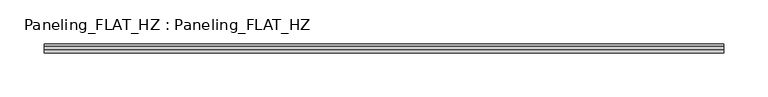
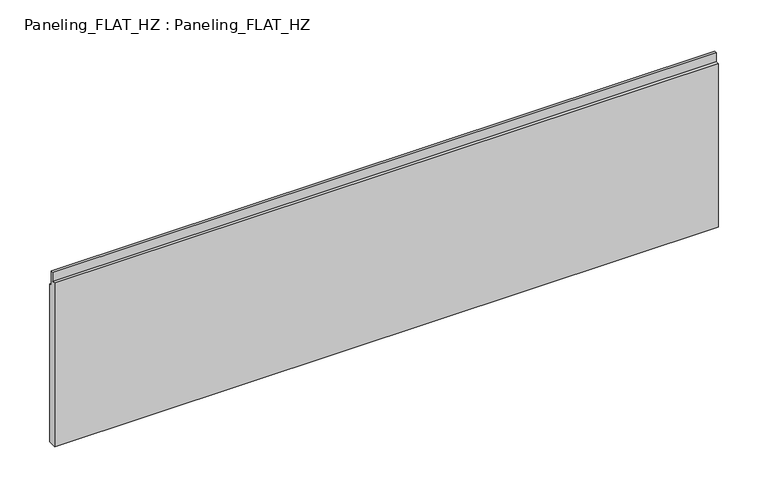
"""IFC4 building model written with IfcOpenShell, lengths in millimetres: plate geometry, Paneling_FLAT_HZ : Paneling_FLAT_HZ."""

from ifc_helpers import new_model, si_unit, frame, origin, place, context, project, spatial, polyline, outline, extrude, source, transform, mapped, element, save


def paneling_flat_hz_paneling_flat_hz_f01266a1(model_context):
    return source(origin(), model_context, "Body", "SweptSolid", [
        extrude(outline(polyline([(5.0, 0.0), (-5.0, 0.0), (-5.0, 200.0), (-1.0, 200.0), (-1.0, 211.0), (2.0, 211.0), (2.0, 193.0), (5.0, 193.0), (5.0, 0.0)])), frame((-383.4, 0.0, 0.0), z_axis=(1.0, 0.0, 0.0), x_axis=(0.0, 1.0, 0.0)), (0.0, 0.0, 1.0), 766.8),
    ])


if __name__ == "__main__":
    model = new_model("IFC4")
    model_context = context("Model", 3, world=origin())
    ifc_project = project(units=[si_unit("LENGTHUNIT", "METRE", prefix="MILLI")], contexts=[model_context])
    site = spatial("IfcSite", under=ifc_project)
    building = spatial("IfcBuilding", under=site)
    placement = place(None, origin())
    paneling_flat_hz_paneling_flat_hz_shape = paneling_flat_hz_paneling_flat_hz_f01266a1(model_context)
    element("IfcPlate", 1, ObjectType="Paneling_FLAT_HZ : Paneling_FLAT_HZ", at=placement, inside=building, context=model_context, shape_type="MappedRepresentation", body=[
        mapped(paneling_flat_hz_paneling_flat_hz_shape, transform((0.0, 0.0, 0.0), x_axis=(1.0, 0.0, 0.0), y_axis=(0.0, 1.0, 0.0), z_axis=(0.0, 0.0, 1.0))),
    ])
    save(model, "model.ifc")
